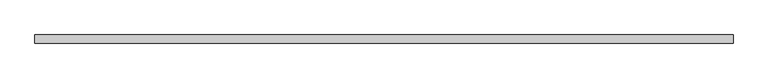
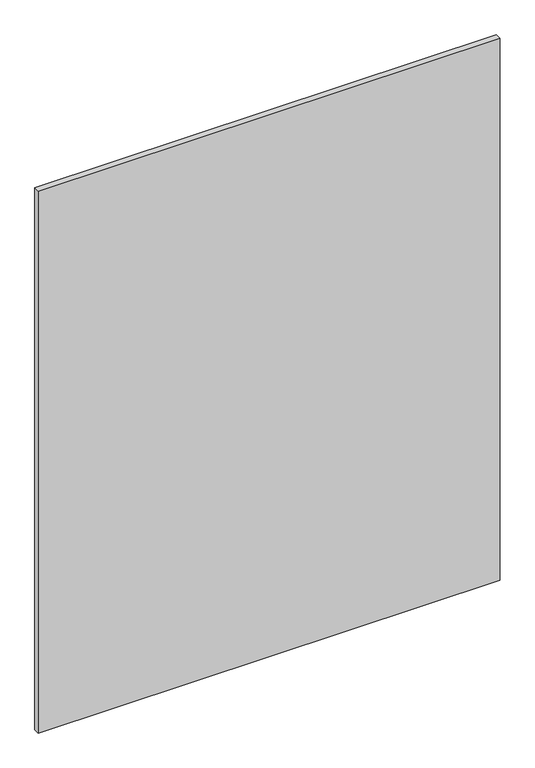
"""IFC4 building model written with IfcOpenShell, lengths in millimetres: plate geometry."""

from ifc_helpers import new_model, si_unit, origin, origin_with_axes, place, context, project, spatial, polyline, outline, extrude, source, transform, mapped, element, save


def plate_a967cf0d(model_context):
    return source(origin(), model_context, "Body", "SweptSolid", [
        extrude(outline(polyline([(710.0904405, -8.73125), (-710.0904405, -8.73125), (-710.0904405, 8.73125), (710.0904405, 8.73125), (710.0904405, -8.73125)])), origin_with_axes(), (0.0, 0.0, 1.0), 1761.3),
    ])


if __name__ == "__main__":
    model = new_model("IFC4")
    model_context = context("Model", 3, world=origin())
    ifc_project = project(units=[si_unit("LENGTHUNIT", "METRE", prefix="MILLI")], contexts=[model_context])
    site = spatial("IfcSite", under=ifc_project)
    building = spatial("IfcBuilding", under=site)
    placement = place(None, origin())
    plate_shape = plate_a967cf0d(model_context)
    element("IfcPlate", 1, at=placement, inside=building, context=model_context, shape_type="MappedRepresentation", body=[
        mapped(plate_shape, transform((0.0, 0.0, 0.0), x_axis=(1.0, 0.0, 0.0), y_axis=(0.0, 1.0, 0.0), z_axis=(0.0, 0.0, 1.0))),
    ])
    save(model, "model.ifc")
